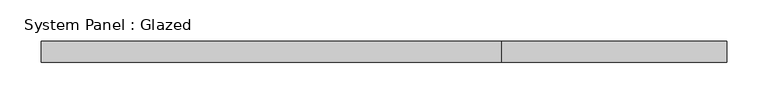
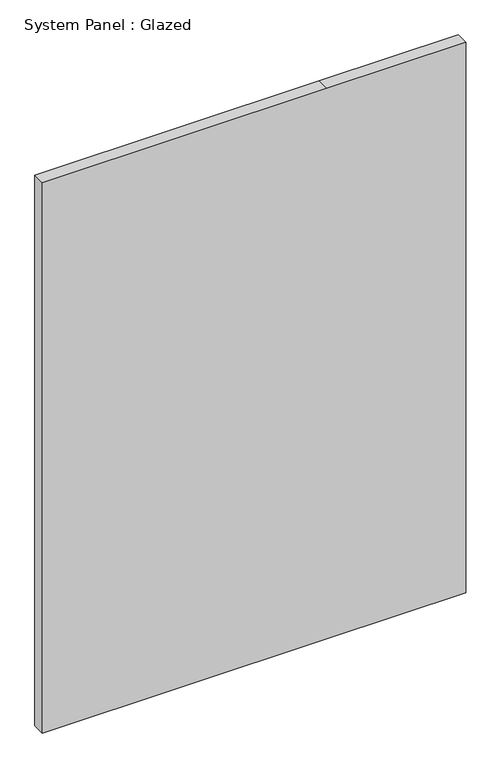
"""IFC4 building model written with IfcOpenShell, lengths in millimetres: plate geometry, System Panel : Glazed."""

from ifc_helpers import new_model, si_unit, frame, origin, place, context, project, spatial, polyline, outline, extrude, source, transform, mapped, element, save


def system_panel_glazed_d6f321eb(model_context):
    return source(origin(), model_context, "Body", "SweptSolid", [
        extrude(outline(polyline([(0.0, -415.925), (0.0, 142.875), (0.0, 415.925), (1143.0, 415.925), (1143.0, 142.875), (1143.0, -415.925), (0.0, -415.925)])), frame((0.0, 19.05, 0.0), z_axis=(0.0, 1.0, 0.0), x_axis=(0.0, 0.0, 1.0)), (0.0, 0.0, 1.0), 25.4),
    ])


if __name__ == "__main__":
    model = new_model("IFC4")
    model_context = context("Model", 3, world=origin())
    ifc_project = project(units=[si_unit("LENGTHUNIT", "METRE", prefix="MILLI")], contexts=[model_context])
    site = spatial("IfcSite", under=ifc_project)
    building = spatial("IfcBuilding", under=site)
    placement = place(None, origin())
    system_panel_glazed_shape = system_panel_glazed_d6f321eb(model_context)
    element("IfcPlate", 1, ObjectType="System Panel : Glazed", at=placement, inside=building, context=model_context, shape_type="MappedRepresentation", body=[
        mapped(system_panel_glazed_shape, transform((0.0, 0.0, 0.0), x_axis=(1.0, 0.0, 0.0), y_axis=(0.0, 1.0, 0.0), z_axis=(0.0, 0.0, 1.0))),
    ])
    save(model, "model.ifc")
